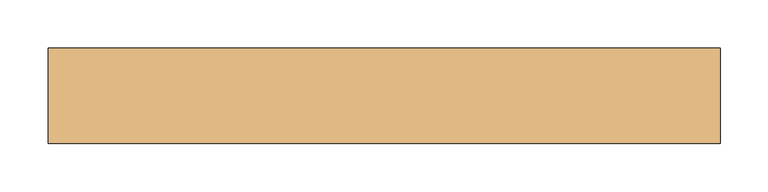
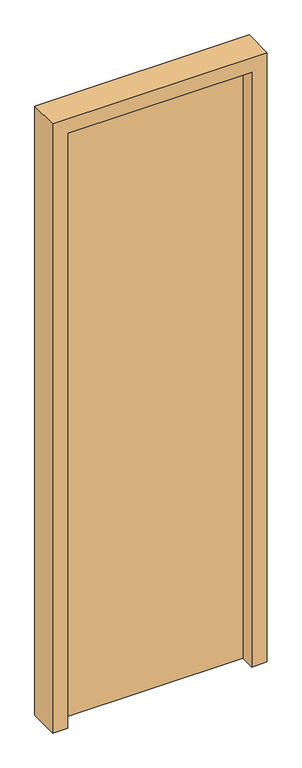
"""IFC4 building model written with IfcOpenShell, lengths in millimetres: door geometry."""

from ifc_helpers import new_model, si_unit, frame, origin, origin_with_axes, place, context, project, spatial, polyline, outline, extrude, source, transform, mapped, element, save


def door_4a9ce748(model_context):
    return source(origin(), model_context, "Body", "SweptSolid", [
        extrude(outline(polyline([(-300.0, 50.0), (300.0, 50.0), (300.0, 0.0), (-300.0, 0.0), (-300.0, 50.0)])), origin_with_axes(), (0.0, 0.0, 1.0), 2050.0),
        extrude(outline(polyline([(0.0, -350.0), (0.0, -300.0), (2050.0, -300.0), (2050.0, 300.0), (0.0, 300.0), (0.0, 350.0), (2100.0, 350.0), (2100.0, -350.0), (0.0, -350.0)])), frame((0.0, -50.0, 0.0), z_axis=(0.0, 1.0, 0.0), x_axis=(0.0, 0.0, 1.0)), (0.0, 0.0, 1.0), 100.0),
    ])


if __name__ == "__main__":
    model = new_model("IFC4")
    model_context = context("Model", 3, world=origin())
    ifc_project = project(units=[si_unit("LENGTHUNIT", "METRE", prefix="MILLI")], contexts=[model_context])
    site = spatial("IfcSite", under=ifc_project)
    building = spatial("IfcBuilding", under=site)
    placement = place(None, origin())
    door_shape = door_4a9ce748(model_context)
    element("IfcDoor", 1, at=placement, inside=building, context=model_context, shape_type="MappedRepresentation", body=[
        mapped(door_shape, transform((0.0, 0.0, 0.0), x_axis=(1.0, 0.0, 0.0), y_axis=(0.0, 1.0, 0.0), z_axis=(0.0, 0.0, 1.0))),
    ])
    save(model, "model.ifc")
